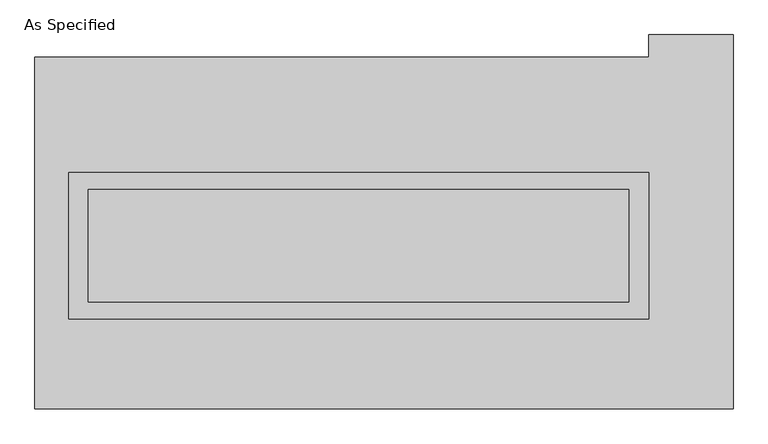
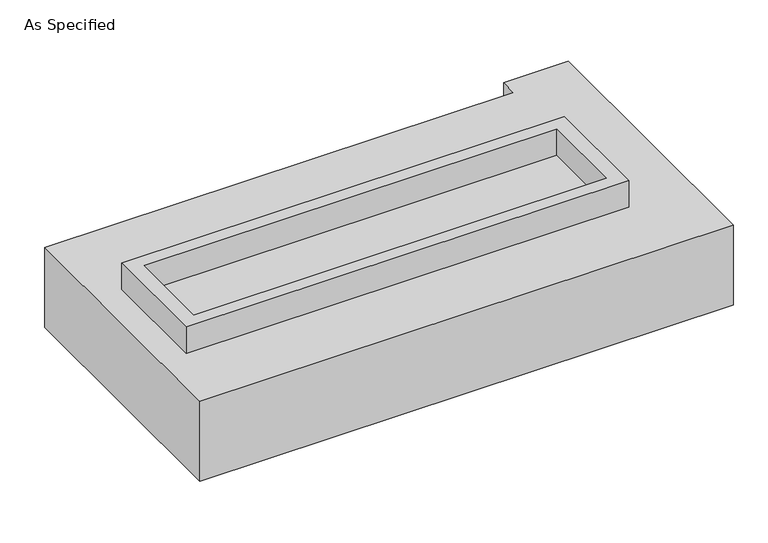
"""IFC4 building model written with IfcOpenShell, lengths in millimetres: proxy geometry, As Specified."""

from ifc_helpers import new_model, si_unit, frame, origin, place, context, project, spatial, polyline, outline, extrude, source, transform, mapped, element, save


def as_specified_9aa7b6f6(model_context):
    return source(origin(), model_context, "Body", "SweptSolid", [
        extrude(outline(polyline([(1308.1, 273.05), (1308.1, -387.35), (-1308.1, -387.35), (-1308.1, 273.05), (1308.1, 273.05)]), holes=[polyline([(1219.2, 196.85), (-1219.2, 196.85), (-1219.2, -311.15), (1219.2, -311.15), (1219.2, 196.85)])]), frame((0.0, 0.0, -688.975), z_axis=(0.0, 0.0, 1.0), x_axis=(1.0, 0.0, 0.0)), (0.0, 0.0, 1.0), 165.1),
        extrude(outline(polyline([(1308.1, 273.05), (1308.1, -387.35), (-1308.1, -387.35), (-1308.1, 273.05), (1308.1, 273.05)]), holes=[polyline([(1219.2, 196.85), (-1219.2, 196.85), (-1219.2, -311.15), (1219.2, -311.15), (1219.2, 196.85)])]), frame((0.0, 0.0, -25.4), z_axis=(0.0, 0.0, 1.0), x_axis=(1.0, 0.0, 0.0)), (0.0, 0.0, 1.0), 165.1),
        extrude(outline(polyline([(1219.2, 196.85), (1219.2, -311.15), (-1219.2, -311.15), (-1219.2, 196.85), (1219.2, 196.85)])), frame((0.0, 0.0, -523.875), z_axis=(0.0, 0.0, 1.0), x_axis=(1.0, 0.0, 0.0)), (0.0, 0.0, 1.0), 4.9609375),
        extrude(outline(polyline([(1219.2, 196.85), (1219.2, -311.15), (-1219.2, -311.15), (-1219.2, 196.85), (1219.2, 196.85)])), frame((0.0, 0.0, -30.3609375), z_axis=(0.0, 0.0, 1.0), x_axis=(1.0, 0.0, 0.0)), (0.0, 0.0, 1.0), 4.9609375),
        extrude(outline(polyline([(1689.1, -793.75), (-1460.5, -793.75), (-1460.5, 793.75), (1308.1, 793.75), (1308.1, 895.35), (1689.1, 895.35), (1689.1, -793.75)]), holes=[polyline([(-1308.1, 273.05), (-1308.1, -387.35), (1308.1, -387.35), (1308.1, 273.05), (-1308.1, 273.05)])]), frame((0.0, 0.0, -523.875), z_axis=(0.0, 0.0, 1.0), x_axis=(1.0, 0.0, 0.0)), (0.0, 0.0, 1.0), 498.475),
    ])


if __name__ == "__main__":
    model = new_model("IFC4")
    model_context = context("Model", 3, world=origin())
    ifc_project = project(units=[si_unit("LENGTHUNIT", "METRE", prefix="MILLI")], contexts=[model_context])
    site = spatial("IfcSite", under=ifc_project)
    building = spatial("IfcBuilding", under=site)
    placement = place(None, origin())
    as_specified_shape = as_specified_9aa7b6f6(model_context)
    element("IfcBuildingElementProxy", 1, Name="As Specified", ObjectType="As Specified", at=placement, inside=building, context=model_context, shape_type="MappedRepresentation", body=[
        mapped(as_specified_shape, transform((0.0, 0.0, 0.0), x_axis=(1.0, 0.0, 0.0), y_axis=(0.0, 1.0, 0.0), z_axis=(0.0, 0.0, 1.0))),
    ])
    save(model, "model.ifc")
